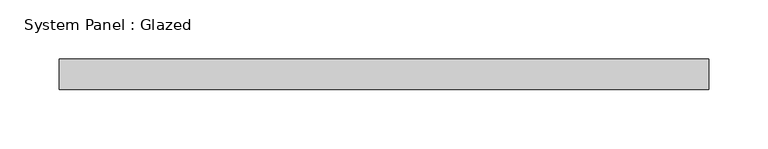
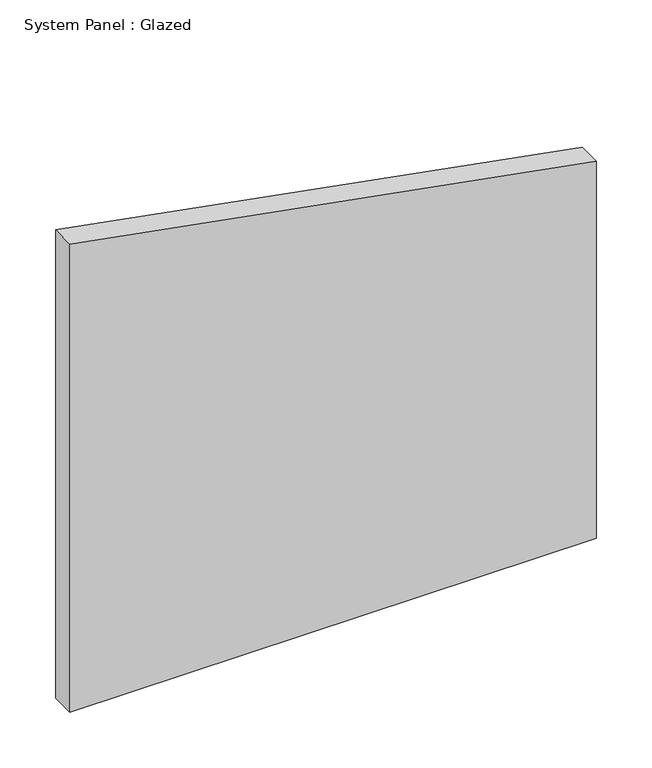
"""IFC4 building model written with IfcOpenShell, lengths in millimetres: plate geometry, System Panel : Glazed."""

from ifc_helpers import new_model, si_unit, frame, origin, place, context, project, spatial, polyline, outline, extrude, source, transform, mapped, element, save


def system_panel_glazed_4ccd5ee3(model_context):
    return source(origin(), model_context, "Body", "SweptSolid", [
        extrude(outline(polyline([(0.0, -273.05), (0.0, 273.05), (413.0590287, 273.05), (513.5928504, -273.05), (0.0, -273.05)])), frame((0.0, 19.05, 0.0), z_axis=(0.0, 1.0, 0.0), x_axis=(0.0, 0.0, 1.0)), (0.0, 0.0, 1.0), 25.4),
    ])


if __name__ == "__main__":
    model = new_model("IFC4")
    model_context = context("Model", 3, world=origin())
    ifc_project = project(units=[si_unit("LENGTHUNIT", "METRE", prefix="MILLI")], contexts=[model_context])
    site = spatial("IfcSite", under=ifc_project)
    building = spatial("IfcBuilding", under=site)
    placement = place(None, origin())
    system_panel_glazed_shape = system_panel_glazed_4ccd5ee3(model_context)
    element("IfcPlate", 1, ObjectType="System Panel : Glazed", at=placement, inside=building, context=model_context, shape_type="MappedRepresentation", body=[
        mapped(system_panel_glazed_shape, transform((0.0, 0.0, 0.0), x_axis=(1.0, 0.0, 0.0), y_axis=(0.0, 1.0, 0.0), z_axis=(0.0, 0.0, 1.0))),
    ])
    save(model, "model.ifc")
